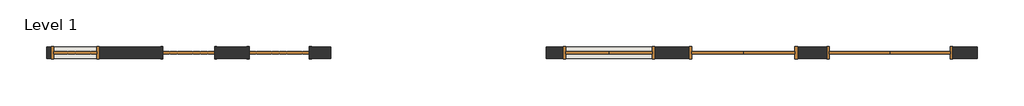
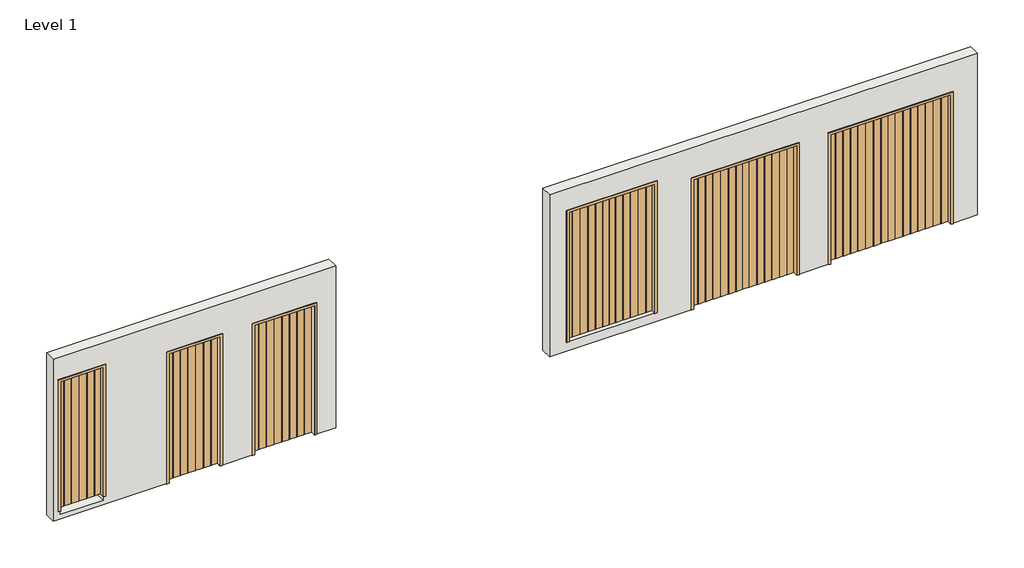
# One storey: 6 doors, 2 walls.
"""IFC4 building model written with IfcOpenShell, lengths in millimetres."""

import ifcopenshell
import ifcopenshell.guid

model = None  # the IFC model being written
_history = None  # IfcOwnerHistory: only IFC2X3 demands one
_inside = {}  # id of a spatial element -> (the spatial element, [elements in it])
_under = {}  # id of a project, library or spatial element -> (it, [spatial elements below it])
_declared = {}  # id of a project -> (the project, [libraries it declares])
_typed = {}  # id of a type object -> (the type object, [elements of that type])
_made_of = {}  # id of a material, layer set ... -> (it, [elements and type objects made of it])


def new_model(schema):
    """Start an empty IFC model of exactly this schema.

    Asked for "IFC4X3", IfcOpenShell would pick the latest addendum, in which some entities
    have other attributes; the version numbers below select the first issue.
    IFC2X3 requires an IfcOwnerHistory on every rooted entity: one is made here for all.
    """
    global model, _history
    if schema == "IFC4X3":
        model = ifcopenshell.file(schema_version=(4, 3, 0, 0))
    else:
        model = ifcopenshell.file(schema=schema)
    _inside.clear()
    _under.clear()
    _declared.clear()
    _typed.clear()
    _made_of.clear()
    _history = None
    if model.schema == "IFC2X3":
        org = make("IfcOrganization", Name="unknown")
        user = make(
            "IfcPersonAndOrganization",
            ThePerson=make("IfcPerson", FamilyName="unknown"),
            TheOrganization=org,
        )
        app = make(
            "IfcApplication",
            ApplicationDeveloper=org,
            Version="unknown",
            ApplicationFullName="unknown",
            ApplicationIdentifier="unknown",
        )
        _history = make(
            "IfcOwnerHistory",
            OwningUser=user,
            OwningApplication=app,
            ChangeAction="ADDED",
            CreationDate=0,
        )
    return model


def make(cls, **values):
    """One entity of the class cls with the attributes given. An attribute that is None is left unset."""
    return model.create_entity(
        cls, **{name: value for name, value in values.items() if value is not None}
    )


def rooted(cls, **values):
    """An entity with a GlobalId (a new one), such as an element, a storey or a relation."""
    return make(cls, GlobalId=ifcopenshell.guid.new(), OwnerHistory=_history, **values)


def si_unit(unit_type, name, prefix=None):
    """IfcSIUnit, for example si_unit("LENGTHUNIT", "METRE", prefix="MILLI")."""
    return make("IfcSIUnit", UnitType=unit_type, Prefix=prefix, Name=name)


def assignment(units):
    """IfcUnitAssignment: the units of a project."""
    return None if units is None else make("IfcUnitAssignment", Units=units)


def point(xyz):
    """IfcCartesianPoint."""
    return None if xyz is None else make("IfcCartesianPoint", Coordinates=xyz)


def direction(xyz):
    """IfcDirection."""
    return None if xyz is None else make("IfcDirection", DirectionRatios=xyz)


def frame(location, z_axis=None, x_axis=None):
    """IfcAxis2Placement3D, a coordinate frame: its origin and axes. An axis left out is left unset."""
    return make(
        "IfcAxis2Placement3D",
        Location=point(location),
        Axis=direction(z_axis),
        RefDirection=direction(x_axis),
    )


def origin():
    """The frame at (0, 0, 0) with its axes left unset."""
    return frame((0.0, 0.0, 0.0))


def origin_with_axes():
    """The frame at (0, 0, 0) with the z axis (0, 0, 1) and the x axis (1, 0, 0) written out."""
    return frame((0.0, 0.0, 0.0), z_axis=(0.0, 0.0, 1.0), x_axis=(1.0, 0.0, 0.0))


def place(relative_to, where):
    """IfcLocalPlacement: puts the frame where relative to a parent placement (None: the world)."""
    return make(
        "IfcLocalPlacement", PlacementRelTo=relative_to, RelativePlacement=where
    )


def context(
    kind, dimensions, precision=None, world=None, true_north=None, identifier=None
):
    """IfcGeometricRepresentationContext, for example the 3D "Model" context."""
    return make(
        "IfcGeometricRepresentationContext",
        ContextIdentifier=identifier,
        ContextType=kind,
        CoordinateSpaceDimension=dimensions,
        Precision=precision,
        WorldCoordinateSystem=world,
        TrueNorth=true_north,
    )


def project(units=None, contexts=None):
    """IfcProject with its units and contexts."""
    return rooted(
        "IfcProject",
        Name="project",
        RepresentationContexts=contexts,
        UnitsInContext=assignment(units),
    )


def spatial(cls, under=None, at=None, **own):
    """A site, building, storey or space (cls), placed at a placement, below another one or the project."""
    s = rooted(cls, ObjectPlacement=at, **own)
    if under is not None:
        _under.setdefault(under.id(), (under, []))[1].append(s)
    return s


def polyline(points):
    """IfcPolyline through the points."""
    return make("IfcPolyline", Points=[point(p) for p in points])


def outline(outer, holes=None, kind="AREA"):
    """IfcArbitraryClosedProfileDef: a profile drawn as a closed curve; with holes, ...WithVoids."""
    if holes is None:
        return make("IfcArbitraryClosedProfileDef", ProfileType=kind, OuterCurve=outer)
    return make(
        "IfcArbitraryProfileDefWithVoids",
        ProfileType=kind,
        OuterCurve=outer,
        InnerCurves=holes,
    )


def extrude(swept, where, along, depth):
    """IfcExtrudedAreaSolid: the profile swept, set in the frame where, extruded along a direction by depth."""
    return make(
        "IfcExtrudedAreaSolid",
        SweptArea=swept,
        Position=where,
        ExtrudedDirection=direction(along),
        Depth=depth,
    )


def shape(context_of_items, identifier, shape_type, items):
    """IfcShapeRepresentation: the items that make up one representation, for example the "Body"."""
    return make(
        "IfcShapeRepresentation",
        ContextOfItems=context_of_items,
        RepresentationIdentifier=identifier,
        RepresentationType=shape_type,
        Items=items,
    )


def source(mapping_origin, context_of_items, identifier, shape_type, items):
    """IfcRepresentationMap: a shape defined once, which mapped items show again and again."""
    return make(
        "IfcRepresentationMap",
        MappingOrigin=mapping_origin,
        MappedRepresentation=shape(context_of_items, identifier, shape_type, items),
    )


def transform(
    local_origin,
    x_axis=None,
    y_axis=None,
    z_axis=None,
    scale=None,
    scale2=None,
    scale3=None,
    uniform=True,
):
    """IfcCartesianTransformationOperator3D, or its non-uniform kind. x_axis, y_axis, z_axis: its Axis1, 2, 3."""
    if uniform:
        return make(
            "IfcCartesianTransformationOperator3D",
            Axis1=direction(x_axis),
            Axis2=direction(y_axis),
            LocalOrigin=point(local_origin),
            Scale=scale,
            Axis3=direction(z_axis),
        )
    return make(
        "IfcCartesianTransformationOperator3DnonUniform",
        Axis1=direction(x_axis),
        Axis2=direction(y_axis),
        LocalOrigin=point(local_origin),
        Scale=scale,
        Axis3=direction(z_axis),
        Scale2=scale2,
        Scale3=scale3,
    )


def mapped(mapping_source, mapping_target):
    """IfcMappedItem: shows the shape of a source again, moved by a transform."""
    return make(
        "IfcMappedItem", MappingSource=mapping_source, MappingTarget=mapping_target
    )


def made_of(thing, what):
    """Note that an element or type object is made of a material, layer set ...; save() writes the relation."""
    if what is not None:
        _made_of.setdefault(what.id(), (what, []))[1].append(thing)
    return thing


def element(
    cls,
    number,
    at=None,
    inside=None,
    cuts=None,
    type_object=None,
    material=None,
    context=None,
    identifier="Body",
    shape_type=None,
    held_by="IfcProductDefinitionShape",
    body=None,
    shapes=None,
    **own,
):
    """One element of the class cls, such as IfcWall. Its Tag is "e" and its number.

    at: its placement. inside: the storey or other place that contains it. cuts: it is an
    opening in that element (IfcRelVoidsElement). A single representation is given by context,
    identifier, shape_type and body (its items); several are given by shapes. held_by: the class
    of the entity that holds the representations. save() writes the other relations.
    """
    e = rooted(cls, Tag="e%d" % number, ObjectPlacement=at, **own)
    if body is not None:
        shapes = [shape(context, identifier, shape_type, body)]
    if shapes is not None:
        e.Representation = make(held_by, Representations=shapes)
    if inside is not None:
        _inside.setdefault(inside.id(), (inside, []))[1].append(e)
    if cuts is not None:
        rooted(
            "IfcRelVoidsElement", RelatingBuildingElement=cuts, RelatedOpeningElement=e
        )
    if type_object is not None:
        _typed.setdefault(type_object.id(), (type_object, []))[1].append(e)
    return made_of(e, material)


def aggregate(whole, parts):
    """IfcRelAggregates: a whole, such as a stair, and the parts it consists of."""
    return rooted("IfcRelAggregates", RelatingObject=whole, RelatedObjects=parts)


def save(model, path):
    """Write the relations noted so far, then the file.

    IfcRelAggregates (storeys below a building ...), IfcRelContainedInSpatialStructure (elements
    in a storey), IfcRelDefinesByType, IfcRelAssociatesMaterial and IfcRelDeclares: one each for
    every whole, place, type object, material and project.
    """
    for whole, parts in _under.values():
        aggregate(whole, parts)
    for where, things in _inside.values():
        rooted(
            "IfcRelContainedInSpatialStructure",
            RelatedElements=things,
            RelatingStructure=where,
        )
    for kind, things in _typed.values():
        rooted("IfcRelDefinesByType", RelatedObjects=things, RelatingType=kind)
    for what, things in _made_of.values():
        rooted("IfcRelAssociatesMaterial", RelatedObjects=things, RelatingMaterial=what)
    for by, libraries in _declared.values():
        rooted("IfcRelDeclares", RelatingContext=by, RelatedDefinitions=libraries)
    model.write(path)


def door_532873f8(model_context):
    return source(origin(), model_context, "Body", "SweptSolid", [
        extrude(outline(polyline([(0.0, 22.225), (0.0, -22.225), (-102.0960938, -22.225), (-102.0960938, -19.05), (-117.3757813, -19.05), (-117.3757813, -22.225), (-237.728125, -22.225), (-237.728125, -19.05), (-253.0078125, -19.05), (-253.0078125, -22.225), (-373.3601563, -22.225), (-373.3601563, -19.05), (-388.6398438, -19.05), (-388.6398438, -22.225), (-508.9921875, -22.225), (-508.9921875, -19.05), (-524.271875, -19.05), (-524.271875, -22.225), (-644.6242188, -22.225), (-644.6242188, -19.05), (-659.9039063, -19.05), (-659.9039063, -22.225), (-762.0, -22.225), (-762.0, 22.225), (-659.9039063, 22.225), (-659.9039063, 19.05), (-644.6242188, 19.05), (-644.6242188, 22.225), (-524.271875, 22.225), (-524.271875, 19.05), (-508.9921875, 19.05), (-508.9921875, 22.225), (-388.6398438, 22.225), (-388.6398438, 19.05), (-373.3601563, 19.05), (-373.3601563, 22.225), (-253.0078125, 22.225), (-253.0078125, 19.05), (-237.728125, 19.05), (-237.728125, 22.225), (-117.3757813, 22.225), (-117.3757813, 19.05), (-102.0960938, 19.05), (-102.0960938, 22.225), (0.0, 22.225)])), origin_with_axes(), (0.0, 0.0, 1.0), 2438.4),
        extrude(outline(polyline([(0.0, 22.225), (102.0960937, 22.225), (102.0960937, 19.05), (117.3757812, 19.05), (117.3757812, 22.225), (237.728125, 22.225), (237.728125, 19.05), (253.0078125, 19.05), (253.0078125, 22.225), (373.3601562, 22.225), (373.3601562, 19.05), (388.6398437, 19.05), (388.6398437, 22.225), (508.9921875, 22.225), (508.9921875, 19.05), (524.271875, 19.05), (524.271875, 22.225), (644.6242187, 22.225), (644.6242187, 19.05), (659.9039062, 19.05), (659.9039062, 22.225), (762.0, 22.225), (762.0, -22.225), (659.9039062, -22.225), (659.9039062, -19.05), (644.6242187, -19.05), (644.6242187, -22.225), (524.271875, -22.225), (524.271875, -19.05), (508.9921875, -19.05), (508.9921875, -22.225), (388.6398437, -22.225), (388.6398437, -19.05), (373.3601562, -19.05), (373.3601562, -22.225), (253.0078125, -22.225), (253.0078125, -19.05), (237.728125, -19.05), (237.728125, -22.225), (117.3757812, -22.225), (117.3757812, -19.05), (102.0960937, -19.05), (102.0960937, -22.225), (0.0, -22.225), (0.0, 22.225)])), origin_with_axes(), (0.0, 0.0, 1.0), 2438.4),
        extrude(outline(polyline([(0.0, -806.45), (0.0, -762.0), (2438.4, -762.0), (2438.4, 762.0), (0.0, 762.0), (0.0, 806.45), (2482.85, 806.45), (2482.85, -806.45), (0.0, -806.45)])), frame((0.0, -114.3, 0.0), z_axis=(0.0, 1.0, 0.0), x_axis=(0.0, 0.0, 1.0)), (0.0, 0.0, 1.0), 228.6),
    ])


def door_bd69da4c(model_context):
    return source(origin(), model_context, "Body", "SweptSolid", [
        extrude(outline(polyline([(0.0, 22.225), (0.0, -22.225), (-111.2242188, -22.225), (-111.2242188, -19.05), (-126.5039063, -19.05), (-126.5039063, -22.225), (-246.5585938, -22.225), (-246.5585938, -19.05), (-261.8382813, -19.05), (-261.8382813, -22.225), (-381.8929688, -22.225), (-381.8929688, -19.05), (-397.1726563, -19.05), (-397.1726563, -22.225), (-517.2273438, -22.225), (-517.2273438, -19.05), (-532.5070313, -19.05), (-532.5070313, -22.225), (-652.5617188, -22.225), (-652.5617188, -19.05), (-667.8414063, -19.05), (-667.8414063, -22.225), (-787.8960938, -22.225), (-787.8960938, -19.05), (-803.1757813, -19.05), (-803.1757813, -22.225), (-914.4, -22.225), (-914.4, 22.225), (-803.1757813, 22.225), (-803.1757813, 19.05), (-787.8960938, 19.05), (-787.8960938, 22.225), (-667.8414063, 22.225), (-667.8414063, 19.05), (-652.5617188, 19.05), (-652.5617188, 22.225), (-532.5070313, 22.225), (-532.5070313, 19.05), (-517.2273438, 19.05), (-517.2273438, 22.225), (-397.1726563, 22.225), (-397.1726563, 19.05), (-381.8929688, 19.05), (-381.8929688, 22.225), (-261.8382813, 22.225), (-261.8382813, 19.05), (-246.5585938, 19.05), (-246.5585938, 22.225), (-126.5039063, 22.225), (-126.5039063, 19.05), (-111.2242188, 19.05), (-111.2242188, 22.225), (0.0, 22.225)])), origin_with_axes(), (0.0, 0.0, 1.0), 2438.4),
        extrude(outline(polyline([(0.0, 22.225), (111.2242187, 22.225), (111.2242187, 19.05), (126.5039062, 19.05), (126.5039062, 22.225), (246.5585937, 22.225), (246.5585937, 19.05), (261.8382812, 19.05), (261.8382812, 22.225), (381.8929687, 22.225), (381.8929687, 19.05), (397.1726562, 19.05), (397.1726562, 22.225), (517.2273437, 22.225), (517.2273437, 19.05), (532.5070312, 19.05), (532.5070312, 22.225), (652.5617187, 22.225), (652.5617187, 19.05), (667.8414062, 19.05), (667.8414062, 22.225), (787.8960937, 22.225), (787.8960937, 19.05), (803.1757812, 19.05), (803.1757812, 22.225), (914.4, 22.225), (914.4, -22.225), (803.1757812, -22.225), (803.1757812, -19.05), (787.8960937, -19.05), (787.8960937, -22.225), (667.8414062, -22.225), (667.8414062, -19.05), (652.5617187, -19.05), (652.5617187, -22.225), (532.5070312, -22.225), (532.5070312, -19.05), (517.2273437, -19.05), (517.2273437, -22.225), (397.1726562, -22.225), (397.1726562, -19.05), (381.8929687, -19.05), (381.8929687, -22.225), (261.8382812, -22.225), (261.8382812, -19.05), (246.5585937, -19.05), (246.5585937, -22.225), (126.5039062, -22.225), (126.5039062, -19.05), (111.2242187, -19.05), (111.2242187, -22.225), (0.0, -22.225), (0.0, 22.225)])), origin_with_axes(), (0.0, 0.0, 1.0), 2438.4),
        extrude(outline(polyline([(0.0, -958.85), (0.0, -914.4), (2438.4, -914.4), (2438.4, 914.4), (0.0, 914.4), (0.0, 958.85), (2482.85, 958.85), (2482.85, -958.85), (0.0, -958.85)])), frame((0.0, -114.3, 0.0), z_axis=(0.0, 1.0, 0.0), x_axis=(0.0, 0.0, 1.0)), (0.0, 0.0, 1.0), 228.6),
    ])


def door_9c7750ad(model_context):
    return source(origin(), model_context, "Body", "SweptSolid", [
        extrude(outline(polyline([(0.0, 22.225), (0.0, -22.225), (-120.1539063, -22.225), (-120.1539063, -19.05), (-135.4335938, -19.05), (-135.4335938, -22.225), (-255.3559896, -22.225), (-255.3559896, -19.05), (-270.6356771, -19.05), (-270.6356771, -22.225), (-390.5580729, -22.225), (-390.5580729, -19.05), (-405.8377604, -19.05), (-405.8377604, -22.225), (-525.7601563, -22.225), (-525.7601563, -19.05), (-541.0398438, -19.05), (-541.0398438, -22.225), (-660.9622396, -22.225), (-660.9622396, -19.05), (-676.2419271, -19.05), (-676.2419271, -22.225), (-796.1643229, -22.225), (-796.1643229, -19.05), (-811.4440104, -19.05), (-811.4440104, -22.225), (-931.3664063, -22.225), (-931.3664063, -19.05), (-946.6460938, -19.05), (-946.6460938, -22.225), (-1066.8, -22.225), (-1066.8, 22.225), (-946.6460938, 22.225), (-946.6460938, 19.05), (-931.3664063, 19.05), (-931.3664063, 22.225), (-811.4440104, 22.225), (-811.4440104, 19.05), (-796.1643229, 19.05), (-796.1643229, 22.225), (-676.2419271, 22.225), (-676.2419271, 19.05), (-660.9622396, 19.05), (-660.9622396, 22.225), (-541.0398438, 22.225), (-541.0398438, 19.05), (-525.7601563, 19.05), (-525.7601563, 22.225), (-405.8377604, 22.225), (-405.8377604, 19.05), (-390.5580729, 19.05), (-390.5580729, 22.225), (-270.6356771, 22.225), (-270.6356771, 19.05), (-255.3559896, 19.05), (-255.3559896, 22.225), (-135.4335938, 22.225), (-135.4335938, 19.05), (-120.1539063, 19.05), (-120.1539063, 22.225), (0.0, 22.225)])), origin_with_axes(), (0.0, 0.0, 1.0), 2438.4),
        extrude(outline(polyline([(0.0, 22.225), (120.1539062, 22.225), (120.1539062, 19.05), (135.4335937, 19.05), (135.4335937, 22.225), (255.3559896, 22.225), (255.3559896, 19.05), (270.6356771, 19.05), (270.6356771, 22.225), (390.5580729, 22.225), (390.5580729, 19.05), (405.8377604, 19.05), (405.8377604, 22.225), (525.7601562, 22.225), (525.7601562, 19.05), (541.0398437, 19.05), (541.0398437, 22.225), (660.9622396, 22.225), (660.9622396, 19.05), (676.2419271, 19.05), (676.2419271, 22.225), (796.1643229, 22.225), (796.1643229, 19.05), (811.4440104, 19.05), (811.4440104, 22.225), (931.3664062, 22.225), (931.3664062, 19.05), (946.6460937, 19.05), (946.6460937, 22.225), (1066.8, 22.225), (1066.8, -22.225), (946.6460937, -22.225), (946.6460937, -19.05), (931.3664062, -19.05), (931.3664062, -22.225), (811.4440104, -22.225), (811.4440104, -19.05), (796.1643229, -19.05), (796.1643229, -22.225), (676.2419271, -22.225), (676.2419271, -19.05), (660.9622396, -19.05), (660.9622396, -22.225), (541.0398437, -22.225), (541.0398437, -19.05), (525.7601562, -19.05), (525.7601562, -22.225), (405.8377604, -22.225), (405.8377604, -19.05), (390.5580729, -19.05), (390.5580729, -22.225), (270.6356771, -22.225), (270.6356771, -19.05), (255.3559896, -19.05), (255.3559896, -22.225), (135.4335937, -22.225), (135.4335937, -19.05), (120.1539062, -19.05), (120.1539062, -22.225), (0.0, -22.225), (0.0, 22.225)])), origin_with_axes(), (0.0, 0.0, 1.0), 2438.4),
        extrude(outline(polyline([(0.0, -1111.25), (0.0, -1066.8), (2438.4, -1066.8), (2438.4, 1066.8), (0.0, 1066.8), (0.0, 1111.25), (2482.85, 1111.25), (2482.85, -1111.25), (0.0, -1111.25)])), frame((0.0, -114.3, 0.0), z_axis=(0.0, 1.0, 0.0), x_axis=(0.0, 0.0, 1.0)), (0.0, 0.0, 1.0), 228.6),
    ])


def door_ff3d9e5a(model_context):
    return source(origin(), model_context, "Body", "SweptSolid", [
        extrude(outline(polyline([(-381.0, -20.6375), (-381.0, 20.6375), (-278.9039063, 20.6375), (-278.9039063, 17.4625), (-263.6242188, 17.4625), (-263.6242188, 20.6375), (-143.271875, 20.6375), (-143.271875, 17.4625), (-127.9921875, 17.4625), (-127.9921875, 20.6375), (-7.6398438, 20.6375), (-7.6398438, 17.4625), (7.6398437, 17.4625), (7.6398437, 20.6375), (127.9921875, 20.6375), (127.9921875, 17.4625), (143.271875, 17.4625), (143.271875, 20.6375), (263.6242187, 20.6375), (263.6242187, 17.4625), (278.9039062, 17.4625), (278.9039062, 20.6375), (381.0, 20.6375), (381.0, -20.6375), (278.9039062, -20.6375), (278.9039062, -17.4625), (263.6242187, -17.4625), (263.6242187, -20.6375), (143.271875, -20.6375), (143.271875, -17.4625), (127.9921875, -17.4625), (127.9921875, -20.6375), (7.6398437, -20.6375), (7.6398437, -17.4625), (-7.6398438, -17.4625), (-7.6398438, -20.6375), (-127.9921875, -20.6375), (-127.9921875, -17.4625), (-143.271875, -17.4625), (-143.271875, -20.6375), (-263.6242188, -20.6375), (-263.6242188, -17.4625), (-278.9039063, -17.4625), (-278.9039063, -20.6375), (-381.0, -20.6375)])), origin_with_axes(), (0.0, 0.0, 1.0), 2438.4),
        extrude(outline(polyline([(2479.675, -422.275), (0.0, -422.275), (0.0, -381.0), (2438.4, -381.0), (2438.4, 381.0), (0.0, 381.0), (0.0, 422.275), (2479.675, 422.275), (2479.675, -422.275)])), frame((0.0, -114.3, 0.0), z_axis=(0.0, 1.0, 0.0), x_axis=(0.0, 0.0, 1.0)), (0.0, 0.0, 1.0), 228.6),
    ])


def door_a02cbd36(model_context):
    return source(origin(), model_context, "Body", "SweptSolid", [
        extrude(outline(polyline([(-457.2, -20.6375), (-457.2, 20.6375), (-345.9757813, 20.6375), (-345.9757813, 17.4625), (-330.6960938, 17.4625), (-330.6960938, 20.6375), (-210.6414063, 20.6375), (-210.6414063, 17.4625), (-195.3617188, 17.4625), (-195.3617188, 20.6375), (-75.3070313, 20.6375), (-75.3070313, 17.4625), (-60.0273438, 17.4625), (-60.0273438, 20.6375), (60.0273437, 20.6375), (60.0273437, 17.4625), (75.3070312, 17.4625), (75.3070312, 20.6375), (195.3617187, 20.6375), (195.3617187, 17.4625), (210.6414062, 17.4625), (210.6414062, 20.6375), (330.6960937, 20.6375), (330.6960937, 17.4625), (345.9757812, 17.4625), (345.9757812, 20.6375), (457.2, 20.6375), (457.2, -20.6375), (345.9757812, -20.6375), (345.9757812, -17.4625), (330.6960937, -17.4625), (330.6960937, -20.6375), (210.6414062, -20.6375), (210.6414062, -17.4625), (195.3617187, -17.4625), (195.3617187, -20.6375), (75.3070312, -20.6375), (75.3070312, -17.4625), (60.0273437, -17.4625), (60.0273437, -20.6375), (-60.0273438, -20.6375), (-60.0273438, -17.4625), (-75.3070313, -17.4625), (-75.3070313, -20.6375), (-195.3617188, -20.6375), (-195.3617188, -17.4625), (-210.6414063, -17.4625), (-210.6414063, -20.6375), (-330.6960938, -20.6375), (-330.6960938, -17.4625), (-345.9757813, -17.4625), (-345.9757813, -20.6375), (-457.2, -20.6375)])), origin_with_axes(), (0.0, 0.0, 1.0), 2438.4),
        extrude(outline(polyline([(2479.675, -498.475), (0.0, -498.475), (0.0, -457.2), (2438.4, -457.2), (2438.4, 457.2), (0.0, 457.2), (0.0, 498.475), (2479.675, 498.475), (2479.675, -498.475)])), frame((0.0, -114.3, 0.0), z_axis=(0.0, 1.0, 0.0), x_axis=(0.0, 0.0, 1.0)), (0.0, 0.0, 1.0), 228.6),
    ])


def door_c13e83c6(model_context):
    return source(origin(), model_context, "Body", "SweptSolid", [
        extrude(outline(polyline([(-533.4, -20.6375), (-533.4, 20.6375), (-413.2460938, 20.6375), (-413.2460938, 17.4625), (-397.9664063, 17.4625), (-397.9664063, 20.6375), (-278.0440104, 20.6375), (-278.0440104, 17.4625), (-262.7643229, 17.4625), (-262.7643229, 20.6375), (-142.8419271, 20.6375), (-142.8419271, 17.4625), (-127.5622396, 17.4625), (-127.5622396, 20.6375), (-7.6398438, 20.6375), (-7.6398438, 17.4625), (7.6398437, 17.4625), (7.6398437, 20.6375), (127.5622396, 20.6375), (127.5622396, 17.4625), (142.8419271, 17.4625), (142.8419271, 20.6375), (262.7643229, 20.6375), (262.7643229, 17.4625), (278.0440104, 17.4625), (278.0440104, 20.6375), (397.9664062, 20.6375), (397.9664062, 17.4625), (413.2460937, 17.4625), (413.2460937, 20.6375), (533.4, 20.6375), (533.4, -20.6375), (413.2460937, -20.6375), (413.2460937, -17.4625), (397.9664062, -17.4625), (397.9664062, -20.6375), (278.0440104, -20.6375), (278.0440104, -17.4625), (262.7643229, -17.4625), (262.7643229, -20.6375), (142.8419271, -20.6375), (142.8419271, -17.4625), (127.5622396, -17.4625), (127.5622396, -20.6375), (7.6398437, -20.6375), (7.6398437, -17.4625), (-7.6398438, -17.4625), (-7.6398438, -20.6375), (-127.5622396, -20.6375), (-127.5622396, -17.4625), (-142.8419271, -17.4625), (-142.8419271, -20.6375), (-262.7643229, -20.6375), (-262.7643229, -17.4625), (-278.0440104, -17.4625), (-278.0440104, -20.6375), (-397.9664063, -20.6375), (-397.9664063, -17.4625), (-413.2460938, -17.4625), (-413.2460938, -20.6375), (-533.4, -20.6375)])), origin_with_axes(), (0.0, 0.0, 1.0), 2438.4),
        extrude(outline(polyline([(2479.675, -574.675), (0.0, -574.675), (0.0, -533.4), (2438.4, -533.4), (2438.4, 533.4), (0.0, 533.4), (0.0, 574.675), (2479.675, 574.675), (2479.675, -574.675)])), frame((0.0, -114.3, 0.0), z_axis=(0.0, 1.0, 0.0), x_axis=(0.0, 0.0, 1.0)), (0.0, 0.0, 1.0), 228.6),
    ])


model = new_model("IFC4")

# Units and contexts
model_context = context("Model", 3, world=origin())
ifc_project = project(units=[si_unit("LENGTHUNIT", "METRE", prefix="MILLI")], contexts=[model_context])

# Site, building, storey
site = spatial("IfcSite", under=ifc_project)
building = spatial("IfcBuilding", under=site)
storey = spatial("IfcBuildingStorey", under=building, Name="Level 1", Elevation=0.0)

# Doors
placement = place(None, origin())
door_shape = door_532873f8(model_context)
element("IfcDoor", 1, at=placement, inside=storey, context=model_context, shape_type="MappedRepresentation", body=[
    mapped(door_shape, transform((13711.3665747, -10700.0556008, 165.1), x_axis=(1.0, 0.0, 0.0), y_axis=(0.0, 1.0, 0.0), z_axis=(0.0, 0.0, 1.0))),
])
door_2_shape = door_bd69da4c(model_context)
element("IfcDoor", 2, at=placement, inside=storey, context=model_context, shape_type="MappedRepresentation", body=[
    mapped(door_2_shape, transform((16086.0208214, -10700.0556008, 0.0), x_axis=(1.0, 0.0, 0.0), y_axis=(0.0, 1.0, 0.0), z_axis=(0.0, 0.0, 1.0))),
])
door_3_shape = door_9c7750ad(model_context)
element("IfcDoor", 3, at=placement, inside=storey, context=model_context, shape_type="MappedRepresentation", body=[
    mapped(door_3_shape, transform((18676.8208214, -10700.0556008, 0.0), x_axis=(1.0, 0.0, 0.0), y_axis=(0.0, 1.0, 0.0), z_axis=(0.0, 0.0, 1.0))),
])
door_4_shape = door_ff3d9e5a(model_context)
element("IfcDoor", 4, at=placement, inside=storey, context=model_context, shape_type="MappedRepresentation", body=[
    mapped(door_4_shape, transform((4275.2665747, -10700.0556008, 152.4), x_axis=(1.0, 0.0, 0.0), y_axis=(0.0, 1.0, 0.0), z_axis=(0.0, 0.0, 1.0))),
])
door_5_shape = door_a02cbd36(model_context)
element("IfcDoor", 5, at=placement, inside=storey, context=model_context, shape_type="MappedRepresentation", body=[
    mapped(door_5_shape, transform((6281.8665747, -10700.0556008, 0.0), x_axis=(1.0, 0.0, 0.0), y_axis=(0.0, 1.0, 0.0), z_axis=(0.0, 0.0, 1.0))),
])
door_6_shape = door_c13e83c6(model_context)
element("IfcDoor", 6, at=placement, inside=storey, context=model_context, shape_type="MappedRepresentation", body=[
    mapped(door_6_shape, transform((7882.0665747, -10700.0556008, 0.0), x_axis=(1.0, 0.0, 0.0), y_axis=(0.0, 1.0, 0.0), z_axis=(0.0, 0.0, 1.0))),
])

# Walls
element("IfcWall", 7, ObjectType="Generic - 8\"", at=placement, inside=storey, context=model_context, shape_type="SweptSolid", body=[
    extrude(outline(polyline([(0.0, 20226.4665747), (3048.0, 20226.4665747), (3048.0, 12606.4665747), (0.0, 12606.4665747), (0.0, 15127.1708214), (2482.85, 15127.1708214), (2482.85, 17044.8708214), (0.0, 17044.8708214), (0.0, 17565.5708214), (2482.85, 17565.5708214), (2482.85, 19788.0708214), (0.0, 19788.0708214), (0.0, 20226.4665747)]), holes=[polyline([(2647.95, 14517.8165747), (165.1, 14517.8165747), (165.1, 12904.9165747), (2647.95, 12904.9165747), (2647.95, 14517.8165747)])]), frame((0.0, -10801.6556008, 0.0), z_axis=(0.0, 1.0, 0.0), x_axis=(0.0, 0.0, 1.0)), (0.0, 0.0, 1.0), 203.2),
])
element("IfcWall", 8, ObjectType="Generic - 8\"", at=placement, inside=storey, context=model_context, shape_type="SweptSolid", body=[
    extrude(outline(polyline([(0.0, 8796.4665747), (3048.0, 8796.4665747), (3048.0, 3767.2665747), (0.0, 3767.2665747), (0.0, 5824.6665747), (2438.4, 5824.6665747), (2438.4, 6739.0665747), (0.0, 6739.0665747), (0.0, 7348.6665747), (2438.4, 7348.6665747), (2438.4, 8415.4665747), (0.0, 8415.4665747), (0.0, 8796.4665747)]), holes=[polyline([(80.4998615, 4656.2665747), (80.4998615, 3894.2665747), (2590.8, 3894.2665747), (2590.8, 4656.2665747), (80.4998615, 4656.2665747)])]), frame((0.0, -10801.6556008, 0.0), z_axis=(0.0, 1.0, 0.0), x_axis=(0.0, 0.0, 1.0)), (0.0, 0.0, 1.0), 203.2),
])

save(model, "model.ifc")
